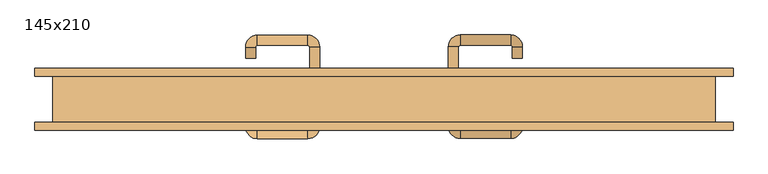
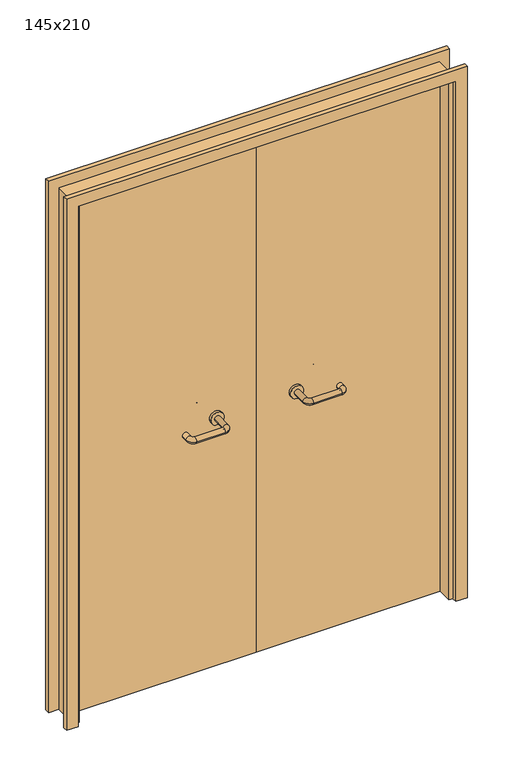
"""IFC4 building model written with IfcOpenShell, lengths in millimetres: door geometry, 145x210."""

from ifc_helpers import new_model, si_unit, point, frame, frame_2d, origin, place, context, project, spatial, polyline, circle_curve, ellipse_curve, trimmed, segment, composite_curve, outline, extrude, source, transform, mapped, element, save
from ifc_brep_helpers import plane_surface, cylinder_surface, revolved_surface, advanced_brep


def door_145x210_17d4b831(model_context):
    return source(origin(), model_context, "Body", "SolidModel", [
        extrude(outline(polyline([(2139.0, 764.0), (2139.0, -764.0), (0.0, -764.0), (0.0, -720.0), (2095.0, -720.0), (2095.0, 720.0), (0.0, 720.0), (0.0, 764.0), (2139.0, 764.0)])), frame((0.0, 50.0, 0.0), z_axis=(0.0, 1.0, 0.0), x_axis=(0.0, 0.0, 1.0)), (0.0, 0.0, 1.0), 18.0),
        extrude(outline(polyline([(2139.0, -764.0), (0.0, -764.0), (0.0, -720.0), (2095.0, -720.0), (2095.0, 720.0), (0.0, 720.0), (0.0, 764.0), (2139.0, 764.0), (2139.0, -764.0)])), frame((0.0, -68.0, 0.0), z_axis=(0.0, 1.0, 0.0), x_axis=(0.0, 0.0, 1.0)), (0.0, 0.0, 1.0), 18.0),
        extrude(outline(polyline([(2100.0, -725.0), (0.0, -725.0), (0.0, -705.0), (2080.0, -705.0), (2080.0, 705.0), (0.0, 705.0), (0.0, 725.0), (2100.0, 725.0), (2100.0, -725.0)])), frame((0.0, -49.0, 0.0), z_axis=(0.0, 1.0, 0.0), x_axis=(0.0, 0.0, 1.0)), (0.0, 0.0, 1.0), 99.0),
        advanced_brep(
        [(140.99898, -4.0, 1003.0), (162.99898, -4.0, 1003.0), (140.99898, -59.3525369, 1003.0), (162.99898, -59.3525369, 1003.0), (166.99898, -63.3525369, 1003.0), (166.99898, -85.3525369, 1003.0), (276.99898, -85.3525369, 1003.0), (276.99898, -63.3525369, 1003.0), (280.99898, -59.3525369, 1003.0), (302.99898, -59.3525369, 1003.0), (302.99898, -42.0, 1003.0), (280.99898, -42.0, 1003.0)],
        [
            (0, 1, circle_curve(frame((151.99898, -4.0, 1003.0), z_axis=(0.0, 1.0, 0.0), x_axis=(1.0, 0.0, 0.0)), 11.0)),
            (1, 0, circle_curve(frame((151.99898, -4.0, 1003.0), z_axis=(0.0, 1.0, 0.0), x_axis=(1.0, 0.0, 0.0)), 11.0)),
            (0, 2),
            (2, 3, circle_curve(frame((151.99898, -59.3525369, 1003.0), z_axis=(0.0, 1.0, 0.0), x_axis=(1.0, 0.0, 0.0)), 11.0)),
            (3, 1),
            (3, 2, circle_curve(frame((151.99898, -59.3525369, 1003.0), z_axis=(0.0, 1.0, 0.0), x_axis=(1.0, 0.0, 0.0)), 11.0)),
            (4, 3, circle_curve(frame((166.99898, -59.3525369, 1003.0), z_axis=(0.0, 0.0, -1.0), x_axis=(-1.0, 0.0, 0.0)), 4.0)),
            (2, 5, circle_curve(frame((166.99898, -59.3525369, 1003.0), z_axis=(0.0, 0.0, 1.0), x_axis=(-1.0, 0.0, 0.0)), 26.0)),
            (5, 4, circle_curve(frame((166.99898, -74.3525369, 1003.0), z_axis=(-1.0, 0.0, 0.0), x_axis=(0.0, 1.0, 0.0)), 11.0)),
            (4, 5, circle_curve(frame((166.99898, -74.3525369, 1003.0), z_axis=(-1.0, 0.0, 0.0), x_axis=(0.0, 1.0, 0.0)), 11.0)),
            (5, 6),
            (6, 7, circle_curve(frame((276.99898, -74.3525369, 1003.0), z_axis=(-1.0, 0.0, 0.0), x_axis=(0.0, 1.0, 0.0)), 11.0)),
            (7, 4),
            (7, 6, circle_curve(frame((276.99898, -74.3525369, 1003.0), z_axis=(-1.0, 0.0, 0.0), x_axis=(0.0, 1.0, 0.0)), 11.0)),
            (8, 7, circle_curve(frame((276.99898, -59.3525369, 1003.0), z_axis=(0.0, 0.0, -1.0), x_axis=(0.0, -1.0, 0.0)), 4.0)),
            (6, 9, circle_curve(frame((276.99898, -59.3525369, 1003.0), z_axis=(0.0, 0.0, 1.0), x_axis=(0.0, -1.0, 0.0)), 26.0)),
            (9, 8, circle_curve(frame((291.99898, -59.3525369, 1003.0), z_axis=(0.0, -1.0, 0.0), x_axis=(-1.0, 0.0, 0.0)), 11.0)),
            (8, 9, circle_curve(frame((291.99898, -59.3525369, 1003.0), z_axis=(0.0, -1.0, 0.0), x_axis=(-1.0, 0.0, 0.0)), 11.0)),
            (10, 11, circle_curve(frame((291.99898, -42.0, 1003.0), z_axis=(0.0, 1.0, 0.0), x_axis=(-1.0, 0.0, 0.0)), 11.0)),
            (11, 10, circle_curve(frame((291.99898, -42.0, 1003.0), z_axis=(0.0, 1.0, 0.0), x_axis=(-1.0, 0.0, 0.0)), 11.0)),
            (9, 10),
            (11, 8),
        ],
        [
            plane_surface(frame((140.99898, -4.0, 1003.0), z_axis=(0.0, 1.0, 0.0), x_axis=(0.0, 0.0, -1.0))),
            cylinder_surface(frame((151.99898, -4.0, 1003.0), z_axis=(0.0, 1.0, 0.0), x_axis=(1.0, 0.0, 0.0)), 11.0),
            revolved_surface(trimmed(ellipse_curve(frame((151.99898, -59.3525369, 1003.0), z_axis=(0.0, 1.0, 0.0), x_axis=(1.0, 0.0, 0.0)), 11.0, 11.0), [point((140.99898, -59.3525369, 1003.0))], [point((162.99898, -59.3525369, 1003.0))], True, "CARTESIAN"), (166.99898, -59.3525369, 1003.0), (0.0, 0.0, 1.0)),
            revolved_surface(trimmed(ellipse_curve(frame((151.99898, -59.3525369, 1003.0), z_axis=(0.0, 1.0, 0.0), x_axis=(1.0, 0.0, 0.0)), 11.0, 11.0), [point((162.99898, -59.3525369, 1003.0))], [point((140.99898, -59.3525369, 1003.0))], True, "CARTESIAN"), (166.99898, -59.3525369, 1003.0), (0.0, 0.0, 1.0)),
            cylinder_surface(frame((166.99898, -74.3525369, 1003.0), z_axis=(-1.0, 0.0, 0.0), x_axis=(0.0, 1.0, 0.0)), 11.0),
            revolved_surface(trimmed(ellipse_curve(frame((276.99898, -74.3525369, 1003.0), z_axis=(-1.0, 0.0, 0.0), x_axis=(0.0, 1.0, 0.0)), 11.0, 11.0), [point((276.99898, -85.3525369, 1003.0))], [point((276.99898, -63.3525369, 1003.0))], True, "CARTESIAN"), (276.99898, -59.3525369, 1003.0), (0.0, 0.0, 1.0)),
            revolved_surface(trimmed(ellipse_curve(frame((276.99898, -74.3525369, 1003.0), z_axis=(-1.0, 0.0, 0.0), x_axis=(0.0, 1.0, 0.0)), 11.0, 11.0), [point((276.99898, -63.3525369, 1003.0))], [point((276.99898, -85.3525369, 1003.0))], True, "CARTESIAN"), (276.99898, -59.3525369, 1003.0), (0.0, 0.0, 1.0)),
            plane_surface(frame((280.99898, -42.0, 1003.0), z_axis=(0.0, 1.0, 0.0), x_axis=(0.0, 0.0, 1.0))),
            cylinder_surface(frame((291.99898, -59.3525369, 1003.0), z_axis=(0.0, -1.0, 0.0), x_axis=(-1.0, 0.0, 0.0)), 11.0),
        ],
        [
            (0, [[1, 2]]),
            (1, [[-1, 3, 4, 5]]),
            (1, [[-2, -5, 6, -3]]),
            (2, [[7, -4, 8, 9]]),
            (3, [[-8, -6, -7, 10]]),
            (4, [[-9, 11, 12, 13]]),
            (4, [[-10, -13, 14, -11]]),
            (5, [[15, -12, 16, 17]]),
            (6, [[-16, -14, -15, 18]]),
            (7, [[19, 20]]),
            (8, [[-17, 21, -20, 22]]),
            (8, [[-18, -22, -19, -21]]),
        ],
    ),
        extrude(outline(composite_curve([segment(trimmed(circle_curve(frame_2d((1003.0, 151.99898)), 25.0), [point((1003.0, 126.99898))], [point((1003.0, 176.99898))], False, "CARTESIAN"), True, "CONTINUOUS"), segment(trimmed(circle_curve(frame_2d((1003.0, 151.99898)), 25.0), [point((1003.0, 176.99898))], [point((1003.0, 126.99898))], False, "CARTESIAN"), True, "CONTINUOUS")], self_intersect=False)), frame((0.0, -4.0, 0.0), z_axis=(0.0, 1.0, 0.0), x_axis=(0.0, 0.0, 1.0)), (0.0, 0.0, 1.0), 10.0),
        advanced_brep(
        [(162.99898, 60.0, 1003.0), (140.99898, 60.0, 1003.0), (162.99898, 115.0, 1003.0), (140.99898, 115.0, 1003.0), (166.99898, 141.0, 1003.0), (166.99898, 119.0, 1003.0), (276.99898, 119.0, 1003.0), (276.99898, 141.0, 1003.0), (302.99898, 115.0, 1003.0), (280.99898, 115.0, 1003.0), (280.99898, 90.0, 1003.0), (302.99898, 90.0, 1003.0)],
        [
            (0, 1, circle_curve(frame((151.99898, 60.0, 1003.0), z_axis=(0.0, -1.0, 0.0), x_axis=(-1.0, 0.0, 0.0)), 11.0)),
            (1, 0, circle_curve(frame((151.99898, 60.0, 1003.0), z_axis=(0.0, -1.0, 0.0), x_axis=(-1.0, 0.0, 0.0)), 11.0)),
            (0, 2),
            (2, 3, circle_curve(frame((151.99898, 115.0, 1003.0), z_axis=(0.0, -1.0, 0.0), x_axis=(-1.0, 0.0, 0.0)), 11.0)),
            (3, 1),
            (3, 2, circle_curve(frame((151.99898, 115.0, 1003.0), z_axis=(0.0, -1.0, 0.0), x_axis=(-1.0, 0.0, 0.0)), 11.0)),
            (4, 3, circle_curve(frame((166.99898, 115.0, 1003.0), z_axis=(0.0, 0.0, 1.0), x_axis=(-1.0, 0.0, 0.0)), 26.0)),
            (2, 5, circle_curve(frame((166.99898, 115.0, 1003.0), z_axis=(0.0, 0.0, -1.0), x_axis=(-1.0, 0.0, 0.0)), 4.0)),
            (5, 4, circle_curve(frame((166.99898, 130.0, 1003.0), z_axis=(-1.0, 0.0, 0.0), x_axis=(0.0, 1.0, 0.0)), 11.0)),
            (4, 5, circle_curve(frame((166.99898, 130.0, 1003.0), z_axis=(-1.0, 0.0, 0.0), x_axis=(0.0, 1.0, 0.0)), 11.0)),
            (5, 6),
            (6, 7, circle_curve(frame((276.99898, 130.0, 1003.0), z_axis=(-1.0, 0.0, 0.0), x_axis=(0.0, 1.0, 0.0)), 11.0)),
            (7, 4),
            (7, 6, circle_curve(frame((276.99898, 130.0, 1003.0), z_axis=(-1.0, 0.0, 0.0), x_axis=(0.0, 1.0, 0.0)), 11.0)),
            (8, 7, circle_curve(frame((276.99898, 115.0, 1003.0), z_axis=(0.0, 0.0, 1.0), x_axis=(0.0, 1.0, 0.0)), 26.0)),
            (6, 9, circle_curve(frame((276.99898, 115.0, 1003.0), z_axis=(0.0, 0.0, -1.0), x_axis=(0.0, 1.0, 0.0)), 4.0)),
            (9, 8, circle_curve(frame((291.99898, 115.0, 1003.0), z_axis=(0.0, 1.0, 0.0), x_axis=(1.0, 0.0, 0.0)), 11.0)),
            (8, 9, circle_curve(frame((291.99898, 115.0, 1003.0), z_axis=(0.0, 1.0, 0.0), x_axis=(1.0, 0.0, 0.0)), 11.0)),
            (10, 11, circle_curve(frame((291.99898, 90.0, 1003.0), z_axis=(0.0, -1.0, 0.0), x_axis=(1.0, 0.0, 0.0)), 11.0)),
            (11, 10, circle_curve(frame((291.99898, 90.0, 1003.0), z_axis=(0.0, -1.0, 0.0), x_axis=(1.0, 0.0, 0.0)), 11.0)),
            (9, 10),
            (11, 8),
        ],
        [
            plane_surface(frame((140.99898, 60.0, 1003.0), z_axis=(0.0, -1.0, 0.0), x_axis=(0.0, 0.0, 1.0))),
            cylinder_surface(frame((151.99898, 60.0, 1003.0), z_axis=(0.0, -1.0, 0.0), x_axis=(-1.0, 0.0, 0.0)), 11.0),
            revolved_surface(trimmed(ellipse_curve(frame((151.99898, 115.0, 1003.0), z_axis=(0.0, -1.0, 0.0), x_axis=(-1.0, 0.0, 0.0)), 11.0, 11.0), [point((162.99898, 115.0, 1003.0))], [point((140.99898, 115.0, 1003.0))], True, "CARTESIAN"), (166.99898, 115.0, 1003.0), (0.0, 0.0, -1.0)),
            revolved_surface(trimmed(ellipse_curve(frame((151.99898, 115.0, 1003.0), z_axis=(0.0, -1.0, 0.0), x_axis=(-1.0, 0.0, 0.0)), 11.0, 11.0), [point((140.99898, 115.0, 1003.0))], [point((162.99898, 115.0, 1003.0))], True, "CARTESIAN"), (166.99898, 115.0, 1003.0), (0.0, 0.0, -1.0)),
            cylinder_surface(frame((166.99898, 130.0, 1003.0), z_axis=(-1.0, 0.0, 0.0), x_axis=(0.0, 1.0, 0.0)), 11.0),
            revolved_surface(trimmed(ellipse_curve(frame((276.99898, 130.0, 1003.0), z_axis=(-1.0, 0.0, 0.0), x_axis=(0.0, 1.0, 0.0)), 11.0, 11.0), [point((276.99898, 119.0, 1003.0))], [point((276.99898, 141.0, 1003.0))], True, "CARTESIAN"), (276.99898, 115.0, 1003.0), (0.0, 0.0, -1.0)),
            revolved_surface(trimmed(ellipse_curve(frame((276.99898, 130.0, 1003.0), z_axis=(-1.0, 0.0, 0.0), x_axis=(0.0, 1.0, 0.0)), 11.0, 11.0), [point((276.99898, 141.0, 1003.0))], [point((276.99898, 119.0, 1003.0))], True, "CARTESIAN"), (276.99898, 115.0, 1003.0), (0.0, 0.0, -1.0)),
            plane_surface(frame((280.99898, 90.0, 1003.0), z_axis=(0.0, -1.0, 0.0), x_axis=(0.0, 0.0, -1.0))),
            cylinder_surface(frame((291.99898, 115.0, 1003.0), z_axis=(0.0, 1.0, 0.0), x_axis=(1.0, 0.0, 0.0)), 11.0),
        ],
        [
            (0, [[1, 2]]),
            (1, [[-1, 3, 4, 5]]),
            (1, [[-2, -5, 6, -3]]),
            (2, [[7, -4, 8, 9]]),
            (3, [[-8, -6, -7, 10]]),
            (4, [[-9, 11, 12, 13]]),
            (4, [[-10, -13, 14, -11]]),
            (5, [[15, -12, 16, 17]]),
            (6, [[-16, -14, -15, 18]]),
            (7, [[19, 20]]),
            (8, [[-17, 21, -20, 22]]),
            (8, [[-18, -22, -19, -21]]),
        ],
    ),
        extrude(outline(composite_curve([segment(trimmed(circle_curve(frame_2d((1003.0, 151.99898)), 25.0), [point((1003.0, 176.99898))], [point((1003.0, 126.99898))], False, "CARTESIAN"), True, "CONTINUOUS"), segment(trimmed(circle_curve(frame_2d((1003.0, 151.99898)), 25.0), [point((1003.0, 126.99898))], [point((1003.0, 176.99898))], False, "CARTESIAN"), True, "CONTINUOUS")], self_intersect=False)), frame((0.0, 50.0, 0.0), z_axis=(0.0, 1.0, 0.0), x_axis=(0.0, 0.0, 1.0)), (0.0, 0.0, 1.0), 10.0),
        advanced_brep(
        [(-162.99898, -4.3113879, 1003.0), (-140.99898, -4.3113879, 1003.0), (-162.99898, -59.7220447, 1003.0), (-140.99898, -59.7220447, 1003.0), (-166.99898, -85.7220447, 1003.0), (-166.99898, -63.7220447, 1003.0), (-276.99898, -63.7220447, 1003.0), (-276.99898, -85.7220447, 1003.0), (-302.99898, -59.7220447, 1003.0), (-280.99898, -59.7220447, 1003.0), (-280.99898, -34.7220447, 1003.0), (-302.99898, -34.7220447, 1003.0)],
        [
            (0, 1, circle_curve(frame((-151.99898, -4.3113879, 1003.0), z_axis=(0.0, 1.0, 0.0), x_axis=(1.0, 0.0, 0.0)), 11.0)),
            (1, 0, circle_curve(frame((-151.99898, -4.3113879, 1003.0), z_axis=(0.0, 1.0, 0.0), x_axis=(1.0, 0.0, 0.0)), 11.0)),
            (0, 2),
            (2, 3, circle_curve(frame((-151.99898, -59.7220447, 1003.0), z_axis=(0.0, 1.0, 0.0), x_axis=(1.0, 0.0, 0.0)), 11.0)),
            (3, 1),
            (3, 2, circle_curve(frame((-151.99898, -59.7220447, 1003.0), z_axis=(0.0, 1.0, 0.0), x_axis=(1.0, 0.0, 0.0)), 11.0)),
            (4, 3, circle_curve(frame((-166.99898, -59.7220447, 1003.0), z_axis=(0.0, 0.0, 1.0), x_axis=(1.0, 0.0, 0.0)), 26.0)),
            (2, 5, circle_curve(frame((-166.99898, -59.7220447, 1003.0), z_axis=(0.0, 0.0, -1.0), x_axis=(1.0, 0.0, 0.0)), 4.0)),
            (5, 4, circle_curve(frame((-166.99898, -74.7220447, 1003.0), z_axis=(1.0, 0.0, 0.0), x_axis=(0.0, -1.0, 0.0)), 11.0)),
            (4, 5, circle_curve(frame((-166.99898, -74.7220447, 1003.0), z_axis=(1.0, 0.0, 0.0), x_axis=(0.0, -1.0, 0.0)), 11.0)),
            (5, 6),
            (6, 7, circle_curve(frame((-276.99898, -74.7220447, 1003.0), z_axis=(1.0, 0.0, 0.0), x_axis=(0.0, -1.0, 0.0)), 11.0)),
            (7, 4),
            (7, 6, circle_curve(frame((-276.99898, -74.7220447, 1003.0), z_axis=(1.0, 0.0, 0.0), x_axis=(0.0, -1.0, 0.0)), 11.0)),
            (8, 7, circle_curve(frame((-276.99898, -59.7220447, 1003.0), z_axis=(0.0, 0.0, 1.0), x_axis=(0.0, -1.0, 0.0)), 26.0)),
            (6, 9, circle_curve(frame((-276.99898, -59.7220447, 1003.0), z_axis=(0.0, 0.0, -1.0), x_axis=(0.0, -1.0, 0.0)), 4.0)),
            (9, 8, circle_curve(frame((-291.99898, -59.7220447, 1003.0), z_axis=(0.0, -1.0, 0.0), x_axis=(-1.0, 0.0, 0.0)), 11.0)),
            (8, 9, circle_curve(frame((-291.99898, -59.7220447, 1003.0), z_axis=(0.0, -1.0, 0.0), x_axis=(-1.0, 0.0, 0.0)), 11.0)),
            (10, 11, circle_curve(frame((-291.99898, -34.7220447, 1003.0), z_axis=(0.0, 1.0, 0.0), x_axis=(-1.0, 0.0, 0.0)), 11.0)),
            (11, 10, circle_curve(frame((-291.99898, -34.7220447, 1003.0), z_axis=(0.0, 1.0, 0.0), x_axis=(-1.0, 0.0, 0.0)), 11.0)),
            (9, 10),
            (11, 8),
        ],
        [
            plane_surface(frame((-162.99898, -4.3113879, 1003.0), z_axis=(0.0, 1.0, 0.0), x_axis=(0.0, 0.0, -1.0))),
            cylinder_surface(frame((-151.99898, -4.3113879, 1003.0), z_axis=(0.0, 1.0, 0.0), x_axis=(1.0, 0.0, 0.0)), 11.0),
            revolved_surface(trimmed(ellipse_curve(frame((-151.99898, -59.7220447, 1003.0), z_axis=(0.0, 1.0, 0.0), x_axis=(1.0, 0.0, 0.0)), 11.0, 11.0), [point((-162.99898, -59.7220447, 1003.0))], [point((-140.99898, -59.7220447, 1003.0))], True, "CARTESIAN"), (-166.99898, -59.7220447, 1003.0), (0.0, 0.0, -1.0)),
            revolved_surface(trimmed(ellipse_curve(frame((-151.99898, -59.7220447, 1003.0), z_axis=(0.0, 1.0, 0.0), x_axis=(1.0, 0.0, 0.0)), 11.0, 11.0), [point((-140.99898, -59.7220447, 1003.0))], [point((-162.99898, -59.7220447, 1003.0))], True, "CARTESIAN"), (-166.99898, -59.7220447, 1003.0), (0.0, 0.0, -1.0)),
            cylinder_surface(frame((-166.99898, -74.7220447, 1003.0), z_axis=(1.0, 0.0, 0.0), x_axis=(0.0, -1.0, 0.0)), 11.0),
            revolved_surface(trimmed(ellipse_curve(frame((-276.99898, -74.7220447, 1003.0), z_axis=(1.0, 0.0, 0.0), x_axis=(0.0, -1.0, 0.0)), 11.0, 11.0), [point((-276.99898, -63.7220447, 1003.0))], [point((-276.99898, -85.7220447, 1003.0))], True, "CARTESIAN"), (-276.99898, -59.7220447, 1003.0), (0.0, 0.0, -1.0)),
            revolved_surface(trimmed(ellipse_curve(frame((-276.99898, -74.7220447, 1003.0), z_axis=(1.0, 0.0, 0.0), x_axis=(0.0, -1.0, 0.0)), 11.0, 11.0), [point((-276.99898, -85.7220447, 1003.0))], [point((-276.99898, -63.7220447, 1003.0))], True, "CARTESIAN"), (-276.99898, -59.7220447, 1003.0), (0.0, 0.0, -1.0)),
            plane_surface(frame((-302.99898, -34.7220447, 1003.0), z_axis=(0.0, 1.0, 0.0), x_axis=(0.0, 0.0, 1.0))),
            cylinder_surface(frame((-291.99898, -59.7220447, 1003.0), z_axis=(0.0, -1.0, 0.0), x_axis=(-1.0, 0.0, 0.0)), 11.0),
        ],
        [
            (0, [[1, 2]]),
            (1, [[-1, 3, 4, 5]]),
            (1, [[-2, -5, 6, -3]]),
            (2, [[7, -4, 8, 9]]),
            (3, [[-8, -6, -7, 10]]),
            (4, [[-9, 11, 12, 13]]),
            (4, [[-10, -13, 14, -11]]),
            (5, [[15, -12, 16, 17]]),
            (6, [[-16, -14, -15, 18]]),
            (7, [[19, 20]]),
            (8, [[-17, 21, -20, 22]]),
            (8, [[-18, -22, -19, -21]]),
        ],
    ),
        extrude(outline(composite_curve([segment(trimmed(circle_curve(frame_2d((1003.0, -151.99898)), 25.0), [point((1003.0, -176.99898))], [point((1003.0, -126.99898))], False, "CARTESIAN"), True, "CONTINUOUS"), segment(trimmed(circle_curve(frame_2d((1003.0, -151.99898)), 25.0), [point((1003.0, -126.99898))], [point((1003.0, -176.99898))], False, "CARTESIAN"), True, "CONTINUOUS")], self_intersect=False)), frame((0.0, -4.3113879, 0.0), z_axis=(0.0, 1.0, 0.0), x_axis=(0.0, 0.0, 1.0)), (0.0, 0.0, 1.0), 10.3113879),
        advanced_brep(
        [(-140.99898, 59.5143417, 1003.0), (-162.99898, 59.5143417, 1003.0), (-140.99898, 114.6104656, 1003.0), (-162.99898, 114.6104656, 1003.0), (-166.99898, 118.6104656, 1003.0), (-166.99898, 140.6104656, 1003.0), (-276.99898, 140.6104656, 1003.0), (-276.99898, 118.6104656, 1003.0), (-280.99898, 114.6104656, 1003.0), (-302.99898, 114.6104656, 1003.0), (-302.99898, 89.6104656, 1003.0), (-280.99898, 89.6104656, 1003.0)],
        [
            (0, 1, circle_curve(frame((-151.99898, 59.5143417, 1003.0), z_axis=(0.0, -1.0, 0.0), x_axis=(-1.0, 0.0, 0.0)), 11.0)),
            (1, 0, circle_curve(frame((-151.99898, 59.5143417, 1003.0), z_axis=(0.0, -1.0, 0.0), x_axis=(-1.0, 0.0, 0.0)), 11.0)),
            (0, 2),
            (2, 3, circle_curve(frame((-151.99898, 114.6104656, 1003.0), z_axis=(0.0, -1.0, 0.0), x_axis=(-1.0, 0.0, 0.0)), 11.0)),
            (3, 1),
            (3, 2, circle_curve(frame((-151.99898, 114.6104656, 1003.0), z_axis=(0.0, -1.0, 0.0), x_axis=(-1.0, 0.0, 0.0)), 11.0)),
            (4, 3, circle_curve(frame((-166.99898, 114.6104656, 1003.0), z_axis=(0.0, 0.0, -1.0), x_axis=(1.0, 0.0, 0.0)), 4.0)),
            (2, 5, circle_curve(frame((-166.99898, 114.6104656, 1003.0), z_axis=(0.0, 0.0, 1.0), x_axis=(1.0, 0.0, 0.0)), 26.0)),
            (5, 4, circle_curve(frame((-166.99898, 129.6104656, 1003.0), z_axis=(1.0, 0.0, 0.0), x_axis=(0.0, -1.0, 0.0)), 11.0)),
            (4, 5, circle_curve(frame((-166.99898, 129.6104656, 1003.0), z_axis=(1.0, 0.0, 0.0), x_axis=(0.0, -1.0, 0.0)), 11.0)),
            (5, 6),
            (6, 7, circle_curve(frame((-276.99898, 129.6104656, 1003.0), z_axis=(1.0, 0.0, 0.0), x_axis=(0.0, -1.0, 0.0)), 11.0)),
            (7, 4),
            (7, 6, circle_curve(frame((-276.99898, 129.6104656, 1003.0), z_axis=(1.0, 0.0, 0.0), x_axis=(0.0, -1.0, 0.0)), 11.0)),
            (8, 7, circle_curve(frame((-276.99898, 114.6104656, 1003.0), z_axis=(0.0, 0.0, -1.0), x_axis=(0.0, 1.0, 0.0)), 4.0)),
            (6, 9, circle_curve(frame((-276.99898, 114.6104656, 1003.0), z_axis=(0.0, 0.0, 1.0), x_axis=(0.0, 1.0, 0.0)), 26.0)),
            (9, 8, circle_curve(frame((-291.99898, 114.6104656, 1003.0), z_axis=(0.0, 1.0, 0.0), x_axis=(1.0, 0.0, 0.0)), 11.0)),
            (8, 9, circle_curve(frame((-291.99898, 114.6104656, 1003.0), z_axis=(0.0, 1.0, 0.0), x_axis=(1.0, 0.0, 0.0)), 11.0)),
            (10, 11, circle_curve(frame((-291.99898, 89.6104656, 1003.0), z_axis=(0.0, -1.0, 0.0), x_axis=(1.0, 0.0, 0.0)), 11.0)),
            (11, 10, circle_curve(frame((-291.99898, 89.6104656, 1003.0), z_axis=(0.0, -1.0, 0.0), x_axis=(1.0, 0.0, 0.0)), 11.0)),
            (9, 10),
            (11, 8),
        ],
        [
            plane_surface(frame((-162.99898, 59.5143417, 1003.0), z_axis=(0.0, -1.0, 0.0), x_axis=(0.0, 0.0, 1.0))),
            cylinder_surface(frame((-151.99898, 59.5143417, 1003.0), z_axis=(0.0, -1.0, 0.0), x_axis=(-1.0, 0.0, 0.0)), 11.0),
            revolved_surface(trimmed(ellipse_curve(frame((-151.99898, 114.6104656, 1003.0), z_axis=(0.0, -1.0, 0.0), x_axis=(-1.0, 0.0, 0.0)), 11.0, 11.0), [point((-140.99898, 114.6104656, 1003.0))], [point((-162.99898, 114.6104656, 1003.0))], True, "CARTESIAN"), (-166.99898, 114.6104656, 1003.0), (0.0, 0.0, 1.0)),
            revolved_surface(trimmed(ellipse_curve(frame((-151.99898, 114.6104656, 1003.0), z_axis=(0.0, -1.0, 0.0), x_axis=(-1.0, 0.0, 0.0)), 11.0, 11.0), [point((-162.99898, 114.6104656, 1003.0))], [point((-140.99898, 114.6104656, 1003.0))], True, "CARTESIAN"), (-166.99898, 114.6104656, 1003.0), (0.0, 0.0, 1.0)),
            cylinder_surface(frame((-166.99898, 129.6104656, 1003.0), z_axis=(1.0, 0.0, 0.0), x_axis=(0.0, -1.0, 0.0)), 11.0),
            revolved_surface(trimmed(ellipse_curve(frame((-276.99898, 129.6104656, 1003.0), z_axis=(1.0, 0.0, 0.0), x_axis=(0.0, -1.0, 0.0)), 11.0, 11.0), [point((-276.99898, 140.6104656, 1003.0))], [point((-276.99898, 118.6104656, 1003.0))], True, "CARTESIAN"), (-276.99898, 114.6104656, 1003.0), (0.0, 0.0, 1.0)),
            revolved_surface(trimmed(ellipse_curve(frame((-276.99898, 129.6104656, 1003.0), z_axis=(1.0, 0.0, 0.0), x_axis=(0.0, -1.0, 0.0)), 11.0, 11.0), [point((-276.99898, 118.6104656, 1003.0))], [point((-276.99898, 140.6104656, 1003.0))], True, "CARTESIAN"), (-276.99898, 114.6104656, 1003.0), (0.0, 0.0, 1.0)),
            plane_surface(frame((-302.99898, 89.6104656, 1003.0), z_axis=(0.0, -1.0, 0.0), x_axis=(0.0, 0.0, -1.0))),
            cylinder_surface(frame((-291.99898, 114.6104656, 1003.0), z_axis=(0.0, 1.0, 0.0), x_axis=(1.0, 0.0, 0.0)), 11.0),
        ],
        [
            (0, [[1, 2]]),
            (1, [[-1, 3, 4, 5]]),
            (1, [[-2, -5, 6, -3]]),
            (2, [[7, -4, 8, 9]]),
            (3, [[-8, -6, -7, 10]]),
            (4, [[-9, 11, 12, 13]]),
            (4, [[-10, -13, 14, -11]]),
            (5, [[15, -12, 16, 17]]),
            (6, [[-16, -14, -15, 18]]),
            (7, [[19, 20]]),
            (8, [[-17, 21, -20, 22]]),
            (8, [[-18, -22, -19, -21]]),
        ],
    ),
        extrude(outline(composite_curve([segment(trimmed(circle_curve(frame_2d((1003.0, -151.99898)), 25.0), [point((1003.0, -126.99898))], [point((1003.0, -176.99898))], False, "CARTESIAN"), True, "CONTINUOUS"), segment(trimmed(circle_curve(frame_2d((1003.0, -151.99898)), 25.0), [point((1003.0, -176.99898))], [point((1003.0, -126.99898))], False, "CARTESIAN"), True, "CONTINUOUS")], self_intersect=False)), frame((0.0, 50.0, 0.0), z_axis=(0.0, 1.0, 0.0), x_axis=(0.0, 0.0, 1.0)), (0.0, 0.0, 1.0), 9.5143417),
        extrude(outline(polyline([(1.0739506, 6.0), (-702.0, 6.0), (-702.0, 50.0), (1.0739506, 50.0), (1.0739506, 6.0)])), frame((0.0, 0.0, 1.753223), z_axis=(0.0, 0.0, 1.0), x_axis=(1.0, 0.0, 0.0)), (0.0, 0.0, 1.0), 2078.246777),
        extrude(outline(polyline([(702.0, 6.0), (1.0739506, 6.0), (1.0739506, 50.0), (702.0, 50.0), (702.0, 6.0)])), frame((0.0, 0.0, 1.753223), z_axis=(0.0, 0.0, 1.0), x_axis=(1.0, 0.0, 0.0)), (0.0, 0.0, 1.0), 2078.246777),
    ])


if __name__ == "__main__":
    model = new_model("IFC4")
    model_context = context("Model", 3, world=origin())
    ifc_project = project(units=[si_unit("LENGTHUNIT", "METRE", prefix="MILLI")], contexts=[model_context])
    site = spatial("IfcSite", under=ifc_project)
    building = spatial("IfcBuilding", under=site)
    placement = place(None, origin())
    door_145x210_shape = door_145x210_17d4b831(model_context)
    element("IfcDoor", 1, ObjectType="145x210", at=placement, inside=building, context=model_context, shape_type="MappedRepresentation", body=[
        mapped(door_145x210_shape, transform((0.0, 0.0, 0.0), x_axis=(1.0, 0.0, 0.0), y_axis=(0.0, 1.0, 0.0), z_axis=(0.0, 0.0, 1.0))),
    ])
    save(model, "model.ifc")
